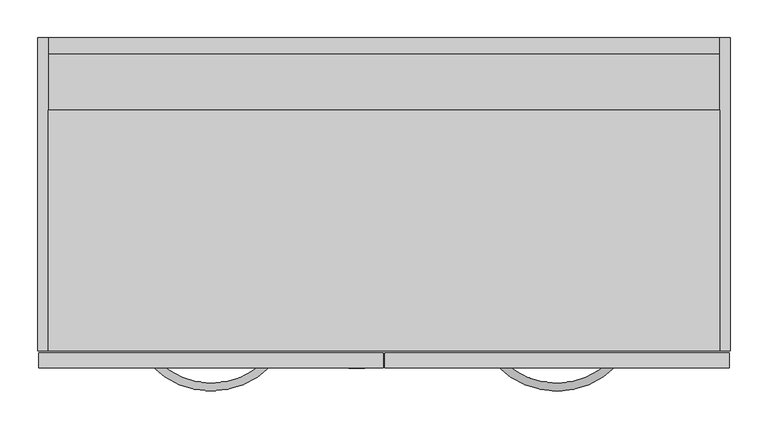
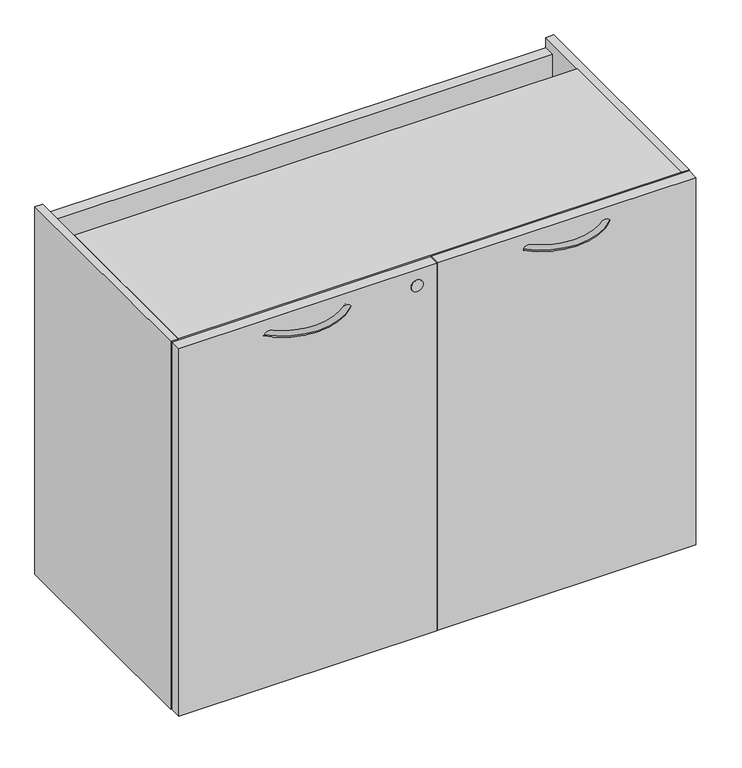
"""IFC4 building model written with IfcOpenShell, lengths in millimetres: furniture geometry."""

from ifc_helpers import new_model, si_unit, point, frame, frame_2d, origin, origin_with_axes, place, context, project, spatial, polyline, circle_curve, ellipse_curve, trimmed, segment, composite_curve, outline, extrude, source, transform, mapped, element, save
from ifc_brep_helpers import plane_surface, revolved_surface, advanced_brep


def furniture_0827b3f6(model_context):
    return source(origin(), model_context, "Body", "SolidModel", [
        advanced_brep(
        [(282.6264749, 8.5864322, 670.1744451), (289.7823469, 1.3740057, 670.1744451), (141.7636534, 9.140876, 670.1744451), (134.551227, 1.985004, 670.1744451)],
        [
            (0, 1, circle_curve(frame((286.2044109, 4.9802189, 670.1744451), z_axis=(0.7098844935595596, 0.7043181140675622, 0.0), x_axis=(0.7043181140675622, -0.7098844935595596, 0.0)), 5.08)),
            (1, 0, circle_curve(frame((286.2044109, 4.9802189, 670.1744451), z_axis=(0.7098844935595596, 0.7043181140675622, 0.0), x_axis=(0.7043181140675622, -0.7098844935595596, 0.0)), 5.08)),
            (2, 3, circle_curve(frame((138.1574402, 5.56294, 670.1744451), z_axis=(-0.7043181140675633, 0.7098844935595585, 0.0), x_axis=(-0.7098844935595585, -0.7043181140675633, 0.0)), 5.08)),
            (3, 2, circle_curve(frame((138.1574402, 5.56294, 670.1744451), z_axis=(-0.7043181140675633, 0.7098844935595585, 0.0), x_axis=(-0.7098844935595585, -0.7043181140675633, 0.0)), 5.08)),
            (3, 1, circle_curve(frame((212.4722861, 79.2950648, 670.1744451), z_axis=(0.0, 0.0, 1.0), x_axis=(0.7043181140675623, -0.7098844935595595, 0.0)), 109.7658278)),
            (0, 2, circle_curve(frame((212.4722861, 79.2950648, 670.1744451), z_axis=(0.0, 0.0, -1.0), x_axis=(0.7043181140675623, -0.7098844935595595, 0.0)), 99.6058278)),
        ],
        [
            plane_surface(frame((286.2593315, 4.9248642, 670.1234375), z_axis=(0.7098844935595596, 0.7043181140675623, 0.0), x_axis=(0.0, 0.0, 1.0))),
            plane_surface(frame((138.1020855, 5.5080193, 670.1234375), z_axis=(-0.7043181140675635, 0.7098844935595584, 0.0), x_axis=(0.0, 0.0, 1.0))),
            revolved_surface(trimmed(ellipse_curve(frame((286.2044109, 4.9802189, 670.1744451), z_axis=(0.7098844935595596, 0.7043181140675622, 0.0), x_axis=(0.7043181140675622, -0.7098844935595596, 0.0)), 5.08, 5.08), [point((282.6264749, 8.5864322, 670.1744451))], [point((289.7823469, 1.3740057, 670.1744451))], True, "CARTESIAN"), (212.4722861, 79.2950648, 670.1234375), (0.0, 0.0, -1.0)),
            revolved_surface(trimmed(ellipse_curve(frame((286.2044109, 4.9802189, 670.1744451), z_axis=(0.7098844935595596, 0.7043181140675622, 0.0), x_axis=(0.7043181140675622, -0.7098844935595596, 0.0)), 5.08, 5.08), [point((289.7823469, 1.3740057, 670.1744451))], [point((282.6264749, 8.5864322, 670.1744451))], True, "CARTESIAN"), (212.4722861, 79.2950648, 670.1234375), (0.0, 0.0, -1.0)),
        ],
        [
            (0, [[1, 2]]),
            (1, [[3, 4]]),
            (2, [[5, -1, 6, -4]]),
            (3, [[-6, -2, -5, -3]]),
        ],
    ),
        advanced_brep(
        [(591.7256514, 1.374494, 670.1744451), (598.882523, 8.5859286, 670.1744451), (746.95759, 1.9854962, 670.1744451), (739.7441718, 9.1403684, 670.1744451)],
        [
            (0, 1, circle_curve(frame((595.3040872, 4.9802113, 670.1744451), z_axis=(-0.7097868691191443, 0.704416496418165, 0.0), x_axis=(0.704416496418165, 0.7097868691191443, 0.0)), 5.08)),
            (1, 0, circle_curve(frame((595.3040872, 4.9802113, 670.1744451), z_axis=(-0.7097868691191443, 0.704416496418165, 0.0), x_axis=(0.704416496418165, 0.7097868691191443, 0.0)), 5.08)),
            (2, 3, circle_curve(frame((743.3508809, 5.5629323, 670.1744451), z_axis=(0.7042197120899962, 0.7099821104111587, 0.0), x_axis=(-0.7099821104111587, 0.7042197120899962, 0.0)), 5.08)),
            (3, 2, circle_curve(frame((743.3508809, 5.5629323, 670.1744451), z_axis=(0.7042197120899962, 0.7099821104111587, 0.0), x_axis=(-0.7099821104111587, 0.7042197120899962, 0.0)), 5.08)),
            (3, 1, circle_curve(frame((669.0362043, 79.2744518, 670.1744451), z_axis=(0.0, 0.0, -1.0), x_axis=(-0.704416496418165, -0.7097868691191443, 0.0)), 99.591196)),
            (0, 2, circle_curve(frame((669.0362043, 79.2744518, 670.1744451), z_axis=(0.0, 0.0, 1.0), x_axis=(-0.704416496418165, -0.7097868691191443, 0.0)), 109.751196)),
        ],
        [
            plane_surface(frame((595.2491588, 4.9248642, 670.1234375), z_axis=(-0.7097868691191445, 0.7044164964181651, 0.0), x_axis=(0.0, 0.0, 1.0))),
            plane_surface(frame((743.4062432, 5.5080193, 670.1234375), z_axis=(0.7042197120899963, 0.7099821104111588, 0.0), x_axis=(0.0, 0.0, 1.0))),
            revolved_surface(trimmed(ellipse_curve(frame((595.3040872, 4.9802113, 670.1744451), z_axis=(-0.7097868691191443, 0.704416496418165, 0.0), x_axis=(0.704416496418165, 0.7097868691191443, 0.0)), 5.08, 5.08), [point((591.7256514, 1.374494, 670.1744451))], [point((598.882523, 8.5859286, 670.1744451))], True, "CARTESIAN"), (669.0362043, 79.2744518, 670.1234375), (0.0, 0.0, 1.0)),
            revolved_surface(trimmed(ellipse_curve(frame((595.3040872, 4.9802113, 670.1744451), z_axis=(-0.7097868691191443, 0.704416496418165, 0.0), x_axis=(0.704416496418165, 0.7097868691191443, 0.0)), 5.08, 5.08), [point((598.882523, 8.5859286, 670.1744451))], [point((591.7256514, 1.374494, 670.1744451))], True, "CARTESIAN"), (669.0362043, 79.2744518, 670.1234375), (0.0, 0.0, 1.0)),
        ],
        [
            (0, [[1, 2]]),
            (1, [[3, 4]]),
            (2, [[5, -1, 6, -4]]),
            (3, [[-6, -2, -5, -3]]),
        ],
    ),
        extrude(outline(composite_curve([segment(trimmed(circle_curve(frame_2d((667.7664372, 404.8376746)), 10.668), [point((667.7664372, 394.1696746))], [point((667.7664372, 415.5056746))], False, "CARTESIAN"), True, "CONTINUOUS"), segment(trimmed(circle_curve(frame_2d((667.7664372, 404.8376746)), 10.668), [point((667.7664372, 415.5056746))], [point((667.7664372, 394.1696746))], False, "CARTESIAN"), True, "CONTINUOUS")], self_intersect=False)), frame((0.0, -0.5079459, 0.0), z_axis=(0.0, 1.0, 0.0), x_axis=(0.0, 0.0, 1.0)), (0.0, 0.0, 1.0), 0.5079459),
        extrude(outline(composite_curve([segment(trimmed(circle_curve(frame_2d((19.0968082, 401.2823789)), 14.478), [point((4.6188082, 401.2823789))], [point((33.5748082, 401.2823789))], False, "CARTESIAN"), True, "CONTINUOUS"), segment(trimmed(circle_curve(frame_2d((19.0968082, 401.2823789)), 14.478), [point((33.5748082, 401.2823789))], [point((4.6188082, 401.2823789))], False, "CARTESIAN"), True, "CONTINUOUS")], self_intersect=False)), origin_with_axes(), (0.0, 0.0, 1.0), 12.7),
        extrude(outline(composite_curve([segment(trimmed(circle_curve(frame_2d((19.0968082, 55.3254588)), 14.478), [point((4.6188082, 55.3254588))], [point((33.5748082, 55.3254588))], False, "CARTESIAN"), True, "CONTINUOUS"), segment(trimmed(circle_curve(frame_2d((19.0968082, 55.3254588)), 14.478), [point((33.5748082, 55.3254588))], [point((4.6188082, 55.3254588))], False, "CARTESIAN"), True, "CONTINUOUS")], self_intersect=False)), origin_with_axes(), (0.0, 0.0, 1.0), 12.7),
        extrude(outline(composite_curve([segment(trimmed(circle_curve(frame_2d((861.8419262, 401.2823789)), 14.478), [point((847.3639262, 401.2823789))], [point((876.3199262, 401.2823789))], False, "CARTESIAN"), True, "CONTINUOUS"), segment(trimmed(circle_curve(frame_2d((861.8419262, 401.2823789)), 14.478), [point((876.3199262, 401.2823789))], [point((847.3639262, 401.2823789))], False, "CARTESIAN"), True, "CONTINUOUS")], self_intersect=False)), origin_with_axes(), (0.0, 0.0, 1.0), 12.7),
        extrude(outline(composite_curve([segment(trimmed(circle_curve(frame_2d((861.8419262, 55.3254588)), 14.478), [point((847.3639262, 55.3254588))], [point((876.3199262, 55.3254588))], False, "CARTESIAN"), True, "CONTINUOUS"), segment(trimmed(circle_curve(frame_2d((861.8419262, 55.3254588)), 14.478), [point((876.3199262, 55.3254588))], [point((847.3639262, 55.3254588))], False, "CARTESIAN"), True, "CONTINUOUS")], self_intersect=False)), origin_with_axes(), (0.0, 0.0, 1.0), 12.7),
        extrude(outline(polyline([(439.8923719, 0.0), (-14.9477997, 0.0), (-14.9477997, 20.1673196), (439.8923719, 20.1673196), (439.8923719, 0.0)])), frame((0.0, 0.0, 12.7), z_axis=(0.0, 0.0, 1.0), x_axis=(1.0, 0.0, 0.0)), (0.0, 0.0, 1.0), 684.5173264),
        extrude(outline(polyline([(896.4562901, 0.0), (441.6161185, 0.0), (441.6161185, 20.1673196), (896.4562901, 20.1673196), (896.4562901, 0.0)])), frame((0.0, 0.0, 12.7), z_axis=(0.0, 0.0, 1.0), x_axis=(1.0, 0.0, 0.0)), (0.0, 0.0, 1.0), 684.5173264),
        extrude(outline(polyline([(415.9235505, 678.6499277), (436.626, 678.6499277), (436.626, 12.7), (22.5805444, 12.7), (22.5805444, 48.5394019), (415.9235505, 48.5394019), (415.9235505, 390.8454182), (22.5805444, 390.8454182), (22.5805444, 409.8954182), (415.9235505, 409.8954182), (415.9235505, 678.6499277)])), frame((-2.6276215, 0.0, 0.0), z_axis=(1.0, 0.0, 0.0), x_axis=(0.0, 1.0, 0.0)), (0.0, 0.0, 1.0), 886.7639434),
        extrude(outline(polyline([(884.1363219, 340.7179967), (884.1363219, 22.5805444), (-2.6276215, 22.5805444), (-2.6276215, 340.7179967), (884.1363219, 340.7179967)])), frame((0.0, 0.0, 678.6499277), z_axis=(0.0, 0.0, 1.0), x_axis=(1.0, 0.0, 0.0)), (0.0, 0.0, 1.0), 19.0499723),
        extrude(outline(polyline([(-2.6276215, 436.626), (-2.6276215, 22.5805444), (-16.4460781, 22.5805444), (-16.4460781, 436.626), (-2.6276215, 436.626)])), frame((0.0, 0.0, 12.7), z_axis=(0.0, 0.0, 1.0), x_axis=(1.0, 0.0, 0.0)), (0.0, 0.0, 1.0), 684.9999),
        extrude(outline(polyline([(897.9539219, 436.626), (897.9539219, 22.5805444), (884.1363219, 22.5805444), (884.1363219, 436.626), (897.9539219, 436.626)])), frame((0.0, 0.0, 12.7), z_axis=(0.0, 0.0, 1.0), x_axis=(1.0, 0.0, 0.0)), (0.0, 0.0, 1.0), 684.9999),
    ])


if __name__ == "__main__":
    model = new_model("IFC4")
    model_context = context("Model", 3, world=origin())
    ifc_project = project(units=[si_unit("LENGTHUNIT", "METRE", prefix="MILLI")], contexts=[model_context])
    site = spatial("IfcSite", under=ifc_project)
    building = spatial("IfcBuilding", under=site)
    placement = place(None, origin())
    furniture_shape = furniture_0827b3f6(model_context)
    element("IfcFurniture", 1, at=placement, inside=building, context=model_context, shape_type="MappedRepresentation", body=[
        mapped(furniture_shape, transform((0.0, 0.0, 0.0), x_axis=(1.0, 0.0, 0.0), y_axis=(0.0, 1.0, 0.0), z_axis=(0.0, 0.0, 1.0))),
    ])
    save(model, "model.ifc")
